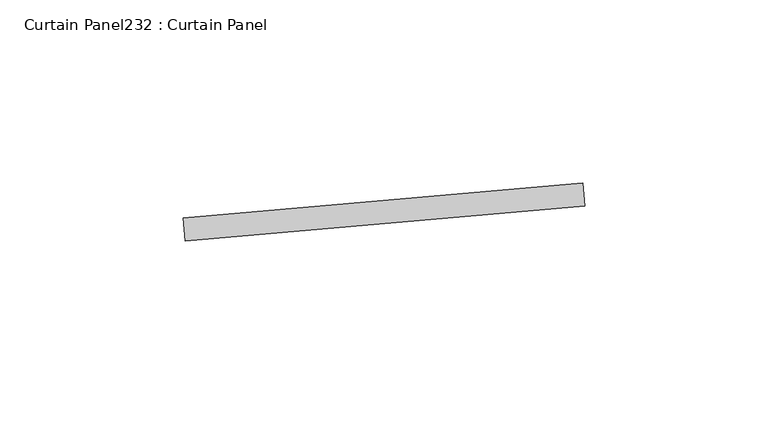
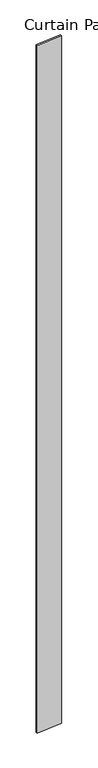
"""IFC4 building model written with IfcOpenShell, lengths in millimetres: plate geometry, Curtain Panel232 : Curtain Panel."""

from ifc_helpers import new_model, si_unit, frame, origin, place, context, project, spatial, polyline, outline, extrude, source, transform, mapped, element, save


def curtain_panel232_curtain_panel_3c9138e4(model_context):
    return source(origin(), model_context, "Body", "SweptSolid", [
        extrude(outline(polyline([(638566.1911492, 2224.1742005), (638675.3029641, 2233.7202473), (638675.8564031, 2227.394411), (638566.7445882, 2217.8483642), (638566.1911492, 2224.1742005)])), frame((0.0, 0.0, 4959.7989371), z_axis=(0.0, 0.0, 1.0), x_axis=(1.0, 0.0, 0.0)), (0.0, 0.0, 1.0), 3048.0),
    ])


if __name__ == "__main__":
    model = new_model("IFC4")
    model_context = context("Model", 3, world=origin())
    ifc_project = project(units=[si_unit("LENGTHUNIT", "METRE", prefix="MILLI")], contexts=[model_context])
    site = spatial("IfcSite", under=ifc_project)
    building = spatial("IfcBuilding", under=site)
    placement = place(None, origin())
    curtain_panel232_curtain_panel_shape = curtain_panel232_curtain_panel_3c9138e4(model_context)
    element("IfcPlate", 1, ObjectType="Curtain Panel232 : Curtain Panel", at=placement, inside=building, context=model_context, shape_type="MappedRepresentation", body=[
        mapped(curtain_panel232_curtain_panel_shape, transform((0.0, 0.0, 0.0), x_axis=(1.0, 0.0, 0.0), y_axis=(0.0, 1.0, 0.0), z_axis=(0.0, 0.0, 1.0))),
    ])
    save(model, "model.ifc")
